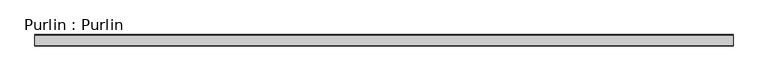
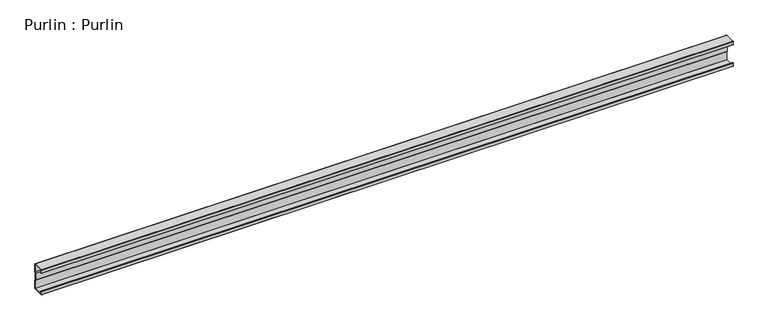
"""IFC4 building model written with IfcOpenShell, lengths in millimetres: beam geometry, Purlin : Purlin."""

from ifc_helpers import new_model, si_unit, point, frame, frame_2d, origin, place, context, project, spatial, polyline, circle_curve, trimmed, segment, composite_curve, outline, extrude, source, transform, mapped, element, save


def purlin_purlin_385be1fa(model_context):
    return source(origin(), model_context, "Body", "SweptSolid", [
        extrude(outline(composite_curve([segment(polyline([(30.5, -75.0), (-30.5, -75.0)]), True, "CONTINUOUS"), segment(trimmed(circle_curve(frame_2d((-30.5, -73.5)), 1.5), [point((-30.5, -75.0))], [point((-32.0, -73.5))], False, "CARTESIAN"), True, "CONTINUOUS"), segment(polyline([(-32.0, -73.5), (-32.0, -55.5689158)]), True, "CONTINUOUS"), segment(trimmed(circle_curve(frame_2d((-30.5, -55.5689158)), 1.5), [point((-32.0, -55.5689158))], [point((-29.6183221, -54.3553903))], False, "CARTESIAN"), True, "CONTINUOUS"), segment(polyline([(-29.6183221, -54.3553903), (-22.7008639, -59.3812179), (-23.2886491, -60.1902349), (-30.2061074, -55.1644073)]), True, "CONTINUOUS"), segment(trimmed(circle_curve(frame_2d((-30.5, -55.5689158)), 0.5), [point((-30.2061074, -55.1644073))], [point((-31.0, -55.5689158))], True, "CARTESIAN"), True, "CONTINUOUS"), segment(polyline([(-31.0, -55.5689158), (-31.0, -73.0)]), True, "CONTINUOUS"), segment(trimmed(circle_curve(frame_2d((-30.0, -73.0)), 1.0), [point((-31.0, -73.0))], [point((-30.0, -74.0))], True, "CARTESIAN"), True, "CONTINUOUS"), segment(polyline([(-30.0, -74.0), (30.0, -74.0)]), True, "CONTINUOUS"), segment(trimmed(circle_curve(frame_2d((30.0, -73.0)), 1.0), [point((30.0, -74.0))], [point((31.0, -73.0))], True, "CARTESIAN"), True, "CONTINUOUS"), segment(polyline([(31.0, -73.0), (31.0, -26.8252474), (25.375, -18.9502474), (25.375, 18.7314974), (31.0, 26.3252474), (31.0, 73.0)]), True, "CONTINUOUS"), segment(trimmed(circle_curve(frame_2d((30.0, 73.0)), 1.0), [point((31.0, 73.0))], [point((30.0, 74.0))], True, "CARTESIAN"), True, "CONTINUOUS"), segment(polyline([(30.0, 74.0), (-30.0, 74.0)]), True, "CONTINUOUS"), segment(trimmed(circle_curve(frame_2d((-30.0, 73.0)), 1.0), [point((-30.0, 74.0))], [point((-31.0, 73.0))], True, "CARTESIAN"), True, "CONTINUOUS"), segment(polyline([(-31.0, 73.0), (-31.0, 55.5689158)]), True, "CONTINUOUS"), segment(trimmed(circle_curve(frame_2d((-30.5, 55.5689158)), 0.5), [point((-31.0, 55.5689158))], [point((-30.2061074, 55.1644073))], True, "CARTESIAN"), True, "CONTINUOUS"), segment(polyline([(-30.2061074, 55.1644073), (-23.2886491, 60.1902349), (-22.7008639, 59.3812179), (-29.6183221, 54.3553903)]), True, "CONTINUOUS"), segment(trimmed(circle_curve(frame_2d((-30.5, 55.5689158)), 1.5), [point((-29.6183221, 54.3553903))], [point((-32.0, 55.5689158))], False, "CARTESIAN"), True, "CONTINUOUS"), segment(polyline([(-32.0, 55.5689158), (-32.0, 73.5)]), True, "CONTINUOUS"), segment(trimmed(circle_curve(frame_2d((-30.5, 73.5)), 1.5), [point((-32.0, 73.5))], [point((-30.5, 75.0))], False, "CARTESIAN"), True, "CONTINUOUS"), segment(polyline([(-30.5, 75.0), (30.5, 75.0)]), True, "CONTINUOUS"), segment(trimmed(circle_curve(frame_2d((30.5, 73.5)), 1.5), [point((30.5, 75.0))], [point((32.0, 73.5))], False, "CARTESIAN"), True, "CONTINUOUS"), segment(polyline([(32.0, 73.5), (32.0, 25.9952176), (26.375, 18.4014676), (26.375, -18.6297824), (32.0, -26.5047824), (32.0, -73.5)]), True, "CONTINUOUS"), segment(trimmed(circle_curve(frame_2d((30.5, -73.5)), 1.5), [point((32.0, -73.5))], [point((30.5, -75.0))], False, "CARTESIAN"), True, "CONTINUOUS")], self_intersect=False)), frame((-1967.3067021, 0.0, 0.0), z_axis=(1.0, 0.0, 0.0), x_axis=(0.0, 1.0, 0.0)), (0.0, 0.0, 1.0), 3934.6134041),
    ])


if __name__ == "__main__":
    model = new_model("IFC4")
    model_context = context("Model", 3, world=origin())
    ifc_project = project(units=[si_unit("LENGTHUNIT", "METRE", prefix="MILLI")], contexts=[model_context])
    site = spatial("IfcSite", under=ifc_project)
    building = spatial("IfcBuilding", under=site)
    placement = place(None, origin())
    purlin_purlin_shape = purlin_purlin_385be1fa(model_context)
    element("IfcBeam", 1, ObjectType="Purlin : Purlin", at=placement, inside=building, context=model_context, shape_type="MappedRepresentation", body=[
        mapped(purlin_purlin_shape, transform((0.0, 0.0, 0.0), x_axis=(1.0, 0.0, 0.0), y_axis=(0.0, 1.0, 0.0), z_axis=(0.0, 0.0, 1.0))),
    ])
    save(model, "model.ifc")
